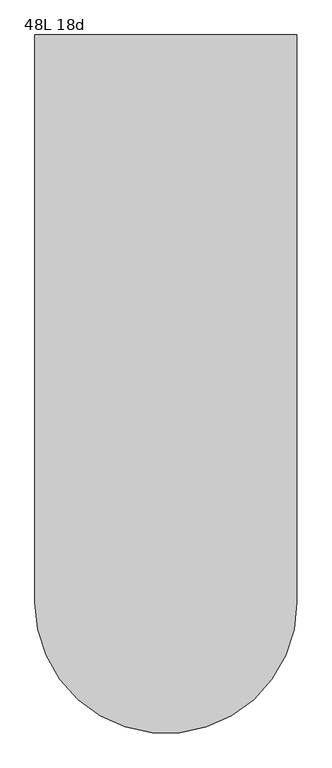
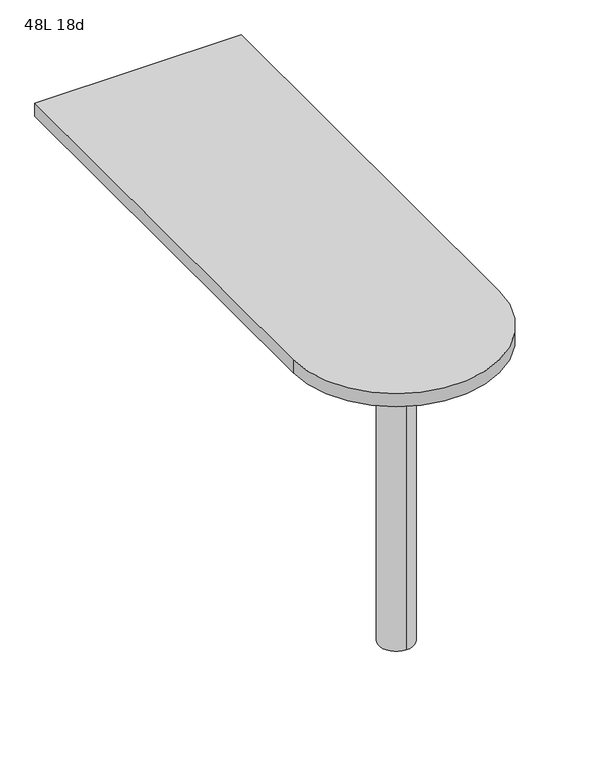
"""IFC4 building model written with IfcOpenShell, lengths in millimetres: furniture geometry, 48L 18d."""

from ifc_helpers import new_model, si_unit, point, frame, frame_2d, origin, place, context, project, spatial, polyline, circle_curve, trimmed, segment, composite_curve, outline, extrude, source, transform, mapped, element, save
from ifc_brep_helpers import plane_surface, cylinder_surface, advanced_brep


def furniture_48l_18d_c231f6e3(model_context):
    return source(origin(), model_context, "Body", "SolidModel", [
        advanced_brep(
        [(0.0, -342.9, 706.4375), (0.0, -419.1, 706.4375), (0.0, -381.0, 706.4375), (0.0, -342.9, 0.0), (0.0, -419.1, 0.0), (0.0, -381.0, 0.0)],
        [
            (0, 1, circle_curve(frame((0.0, -381.0, 706.4375), z_axis=(0.0, 0.0, 1.0), x_axis=(0.0, -1.0, 0.0)), 38.1)),
            (1, 2),
            (2, 0),
            (1, 0, circle_curve(frame((0.0, -381.0, 706.4375), z_axis=(0.0, 0.0, 1.0), x_axis=(0.0, -1.0, 0.0)), 38.1)),
            (3, 4, circle_curve(frame((0.0, -381.0, 0.0), z_axis=(0.0, 0.0, 1.0), x_axis=(0.0, -1.0, 0.0)), 38.1)),
            (4, 1),
            (0, 3),
            (4, 3, circle_curve(frame((0.0, -381.0, 0.0), z_axis=(0.0, 0.0, 1.0), x_axis=(0.0, -1.0, 0.0)), 38.1)),
            (5, 4),
            (3, 5),
        ],
        [
            plane_surface(frame((0.0, -381.0, 706.4375), z_axis=(0.0, 0.0, 1.0), x_axis=(0.0, -1.0, 0.0))),
            cylinder_surface(frame((0.0, -381.0, 889.623257), z_axis=(0.0, 0.0, -1.0), x_axis=(0.0, -1.0, 0.0)), 38.1),
            plane_surface(frame((0.0, -381.0, 0.0), z_axis=(0.0, 0.0, -1.0), x_axis=(0.0, -1.0, 0.0))),
        ],
        [
            (0, [[1, 2, 3]]),
            (0, [[4, -3, -2]]),
            (1, [[5, 6, -1, 7]]),
            (1, [[8, -7, -4, -6]]),
            (2, [[9, -5, 10]]),
            (2, [[-10, -8, -9]]),
        ],
    ),
        extrude(outline(composite_curve([segment(polyline([(-228.6, -381.0), (-228.6, 609.6), (228.6, 609.6), (228.6, -381.0)]), True, "CONTINUOUS"), segment(trimmed(circle_curve(frame_2d((0.0, -381.0)), 228.6), [point((228.6, -381.0))], [point((-228.6, -381.0))], False, "CARTESIAN"), True, "CONTINUOUS")], self_intersect=False)), frame((0.0, 0.0, 706.4375), z_axis=(0.0, 0.0, 1.0), x_axis=(1.0, 0.0, 0.0)), (0.0, 0.0, 1.0), 30.1625),
    ])


if __name__ == "__main__":
    model = new_model("IFC4")
    model_context = context("Model", 3, world=origin())
    ifc_project = project(units=[si_unit("LENGTHUNIT", "METRE", prefix="MILLI")], contexts=[model_context])
    site = spatial("IfcSite", under=ifc_project)
    building = spatial("IfcBuilding", under=site)
    placement = place(None, origin())
    furniture_48l_18d_shape = furniture_48l_18d_c231f6e3(model_context)
    element("IfcFurniture", 1, ObjectType="48L 18d", at=placement, inside=building, context=model_context, shape_type="MappedRepresentation", body=[
        mapped(furniture_48l_18d_shape, transform((0.0, 0.0, 0.0), x_axis=(1.0, 0.0, 0.0), y_axis=(0.0, 1.0, 0.0), z_axis=(0.0, 0.0, 1.0))),
    ])
    save(model, "model.ifc")
